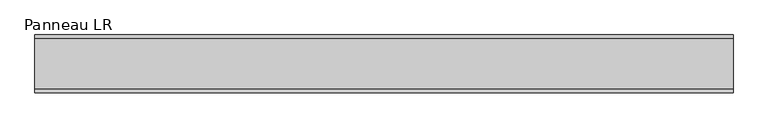
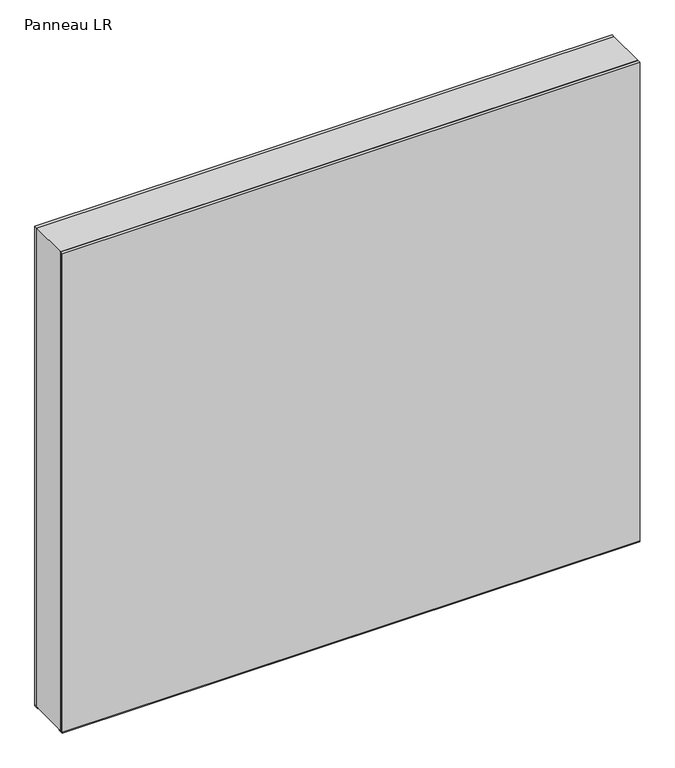
"""IFC4 building model written with IfcOpenShell, lengths in millimetres: plate geometry, Panneau LR."""

from ifc_helpers import new_model, si_unit, frame, origin, origin_with_axes, place, context, project, spatial, polyline, outline, extrude, source, transform, mapped, element, save


def panneau_lr_57deb30b(model_context):
    return source(origin(), model_context, "Body", "SweptSolid", [
        extrude(outline(polyline([(953.5, 544.1875001), (953.5, -544.1875001), (0.0, -544.1875001), (0.0, 544.1875001), (953.5, 544.1875001)]), holes=[polyline([(60.0, -504.1875001), (927.5, -504.1875001), (927.5, 504.1875001), (60.0, 504.1875001), (60.0, -504.1875001)])]), frame((0.0, -39.0, 0.0), z_axis=(0.0, 1.0, 0.0), x_axis=(0.0, 0.0, 1.0)), (0.0, 0.0, 1.0), 78.0),
        extrude(outline(polyline([(-544.1875001, 35.0), (-544.1875001, 45.0), (544.1875001, 45.0), (544.1875001, 35.0), (-544.1875001, 35.0)])), frame((0.0, 0.0, -1.5), z_axis=(0.0, 0.0, 1.0), x_axis=(1.0, 0.0, 0.0)), (0.0, 0.0, 1.0), 1.5),
        extrude(outline(polyline([(-544.1875001, -45.0), (-544.1875001, -35.0), (544.1875001, -35.0), (544.1875001, -45.0), (-544.1875001, -45.0)])), frame((0.0, 0.0, -1.5), z_axis=(0.0, 0.0, 1.0), x_axis=(1.0, 0.0, 0.0)), (0.0, 0.0, 1.0), 1.5),
        extrude(outline(polyline([(544.1875001, 39.0), (-544.1875001, 39.0), (-544.1875001, 45.0), (544.1875001, 45.0), (544.1875001, 39.0)])), origin_with_axes(), (0.0, 0.0, 1.0), 953.5),
        extrude(outline(polyline([(-544.1875001, -45.0), (-544.1875001, -39.0), (544.1875001, -39.0), (544.1875001, -45.0), (-544.1875001, -45.0)])), origin_with_axes(), (0.0, 0.0, 1.0), 953.5),
    ])


if __name__ == "__main__":
    model = new_model("IFC4")
    model_context = context("Model", 3, world=origin())
    ifc_project = project(units=[si_unit("LENGTHUNIT", "METRE", prefix="MILLI")], contexts=[model_context])
    site = spatial("IfcSite", under=ifc_project)
    building = spatial("IfcBuilding", under=site)
    placement = place(None, origin())
    panneau_lr_shape = panneau_lr_57deb30b(model_context)
    element("IfcPlate", 1, ObjectType="Panneau LR", at=placement, inside=building, context=model_context, shape_type="MappedRepresentation", body=[
        mapped(panneau_lr_shape, transform((0.0, 0.0, 0.0), x_axis=(1.0, 0.0, 0.0), y_axis=(0.0, 1.0, 0.0), z_axis=(0.0, 0.0, 1.0))),
    ])
    save(model, "model.ifc")
